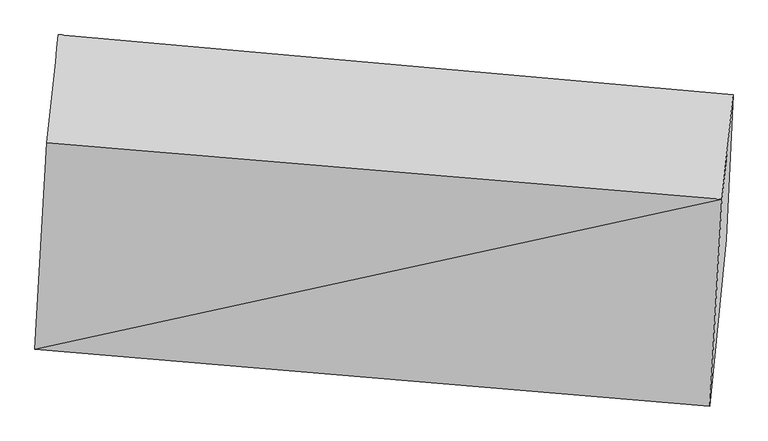
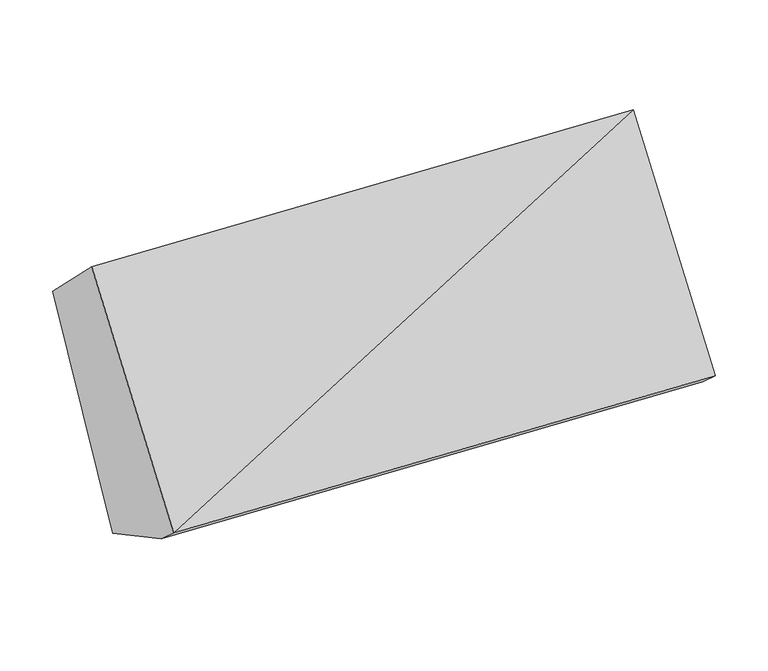
"""IFC4 building model written with IfcOpenShell, lengths in millimetres: proxy geometry."""

import ifcopenshell
import ifcopenshell.guid

model = None  # the IFC model being written
_history = None  # IfcOwnerHistory: only IFC2X3 demands one
_inside = {}  # id of a spatial element -> (the spatial element, [elements in it])
_under = {}  # id of a project, library or spatial element -> (it, [spatial elements below it])
_declared = {}  # id of a project -> (the project, [libraries it declares])
_typed = {}  # id of a type object -> (the type object, [elements of that type])
_made_of = {}  # id of a material, layer set ... -> (it, [elements and type objects made of it])


def new_model(schema):
    """Start an empty IFC model of exactly this schema.

    Asked for "IFC4X3", IfcOpenShell would pick the latest addendum, in which some entities
    have other attributes; the version numbers below select the first issue.
    IFC2X3 requires an IfcOwnerHistory on every rooted entity: one is made here for all.
    """
    global model, _history
    if schema == "IFC4X3":
        model = ifcopenshell.file(schema_version=(4, 3, 0, 0))
    else:
        model = ifcopenshell.file(schema=schema)
    _inside.clear()
    _under.clear()
    _declared.clear()
    _typed.clear()
    _made_of.clear()
    _history = None
    if model.schema == "IFC2X3":
        org = make("IfcOrganization", Name="unknown")
        user = make(
            "IfcPersonAndOrganization",
            ThePerson=make("IfcPerson", FamilyName="unknown"),
            TheOrganization=org,
        )
        app = make(
            "IfcApplication",
            ApplicationDeveloper=org,
            Version="unknown",
            ApplicationFullName="unknown",
            ApplicationIdentifier="unknown",
        )
        _history = make(
            "IfcOwnerHistory",
            OwningUser=user,
            OwningApplication=app,
            ChangeAction="ADDED",
            CreationDate=0,
        )
    return model


def make(cls, **values):
    """One entity of the class cls with the attributes given. An attribute that is None is left unset."""
    return model.create_entity(
        cls, **{name: value for name, value in values.items() if value is not None}
    )


def rooted(cls, **values):
    """An entity with a GlobalId (a new one), such as an element, a storey or a relation."""
    return make(cls, GlobalId=ifcopenshell.guid.new(), OwnerHistory=_history, **values)


def si_unit(unit_type, name, prefix=None):
    """IfcSIUnit, for example si_unit("LENGTHUNIT", "METRE", prefix="MILLI")."""
    return make("IfcSIUnit", UnitType=unit_type, Prefix=prefix, Name=name)


def assignment(units):
    """IfcUnitAssignment: the units of a project."""
    return None if units is None else make("IfcUnitAssignment", Units=units)


def point(xyz):
    """IfcCartesianPoint."""
    return None if xyz is None else make("IfcCartesianPoint", Coordinates=xyz)


def direction(xyz):
    """IfcDirection."""
    return None if xyz is None else make("IfcDirection", DirectionRatios=xyz)


def frame(location, z_axis=None, x_axis=None):
    """IfcAxis2Placement3D, a coordinate frame: its origin and axes. An axis left out is left unset."""
    return make(
        "IfcAxis2Placement3D",
        Location=point(location),
        Axis=direction(z_axis),
        RefDirection=direction(x_axis),
    )


def origin():
    """The frame at (0, 0, 0) with its axes left unset."""
    return frame((0.0, 0.0, 0.0))


def place(relative_to, where):
    """IfcLocalPlacement: puts the frame where relative to a parent placement (None: the world)."""
    return make(
        "IfcLocalPlacement", PlacementRelTo=relative_to, RelativePlacement=where
    )


def context(
    kind, dimensions, precision=None, world=None, true_north=None, identifier=None
):
    """IfcGeometricRepresentationContext, for example the 3D "Model" context."""
    return make(
        "IfcGeometricRepresentationContext",
        ContextIdentifier=identifier,
        ContextType=kind,
        CoordinateSpaceDimension=dimensions,
        Precision=precision,
        WorldCoordinateSystem=world,
        TrueNorth=true_north,
    )


def project(units=None, contexts=None):
    """IfcProject with its units and contexts."""
    return rooted(
        "IfcProject",
        Name="project",
        RepresentationContexts=contexts,
        UnitsInContext=assignment(units),
    )


def spatial(cls, under=None, at=None, **own):
    """A site, building, storey or space (cls), placed at a placement, below another one or the project."""
    s = rooted(cls, ObjectPlacement=at, **own)
    if under is not None:
        _under.setdefault(under.id(), (under, []))[1].append(s)
    return s


def shape(context_of_items, identifier, shape_type, items):
    """IfcShapeRepresentation: the items that make up one representation, for example the "Body"."""
    return make(
        "IfcShapeRepresentation",
        ContextOfItems=context_of_items,
        RepresentationIdentifier=identifier,
        RepresentationType=shape_type,
        Items=items,
    )


def source(mapping_origin, context_of_items, identifier, shape_type, items):
    """IfcRepresentationMap: a shape defined once, which mapped items show again and again."""
    return make(
        "IfcRepresentationMap",
        MappingOrigin=mapping_origin,
        MappedRepresentation=shape(context_of_items, identifier, shape_type, items),
    )


def transform(
    local_origin,
    x_axis=None,
    y_axis=None,
    z_axis=None,
    scale=None,
    scale2=None,
    scale3=None,
    uniform=True,
):
    """IfcCartesianTransformationOperator3D, or its non-uniform kind. x_axis, y_axis, z_axis: its Axis1, 2, 3."""
    if uniform:
        return make(
            "IfcCartesianTransformationOperator3D",
            Axis1=direction(x_axis),
            Axis2=direction(y_axis),
            LocalOrigin=point(local_origin),
            Scale=scale,
            Axis3=direction(z_axis),
        )
    return make(
        "IfcCartesianTransformationOperator3DnonUniform",
        Axis1=direction(x_axis),
        Axis2=direction(y_axis),
        LocalOrigin=point(local_origin),
        Scale=scale,
        Axis3=direction(z_axis),
        Scale2=scale2,
        Scale3=scale3,
    )


def mapped(mapping_source, mapping_target):
    """IfcMappedItem: shows the shape of a source again, moved by a transform."""
    return make(
        "IfcMappedItem", MappingSource=mapping_source, MappingTarget=mapping_target
    )


def made_of(thing, what):
    """Note that an element or type object is made of a material, layer set ...; save() writes the relation."""
    if what is not None:
        _made_of.setdefault(what.id(), (what, []))[1].append(thing)
    return thing


def element(
    cls,
    number,
    at=None,
    inside=None,
    cuts=None,
    type_object=None,
    material=None,
    context=None,
    identifier="Body",
    shape_type=None,
    held_by="IfcProductDefinitionShape",
    body=None,
    shapes=None,
    **own,
):
    """One element of the class cls, such as IfcWall. Its Tag is "e" and its number.

    at: its placement. inside: the storey or other place that contains it. cuts: it is an
    opening in that element (IfcRelVoidsElement). A single representation is given by context,
    identifier, shape_type and body (its items); several are given by shapes. held_by: the class
    of the entity that holds the representations. save() writes the other relations.
    """
    e = rooted(cls, Tag="e%d" % number, ObjectPlacement=at, **own)
    if body is not None:
        shapes = [shape(context, identifier, shape_type, body)]
    if shapes is not None:
        e.Representation = make(held_by, Representations=shapes)
    if inside is not None:
        _inside.setdefault(inside.id(), (inside, []))[1].append(e)
    if cuts is not None:
        rooted(
            "IfcRelVoidsElement", RelatingBuildingElement=cuts, RelatedOpeningElement=e
        )
    if type_object is not None:
        _typed.setdefault(type_object.id(), (type_object, []))[1].append(e)
    return made_of(e, material)


def aggregate(whole, parts):
    """IfcRelAggregates: a whole, such as a stair, and the parts it consists of."""
    return rooted("IfcRelAggregates", RelatingObject=whole, RelatedObjects=parts)


def save(model, path):
    """Write the relations noted so far, then the file.

    IfcRelAggregates (storeys below a building ...), IfcRelContainedInSpatialStructure (elements
    in a storey), IfcRelDefinesByType, IfcRelAssociatesMaterial and IfcRelDeclares: one each for
    every whole, place, type object, material and project.
    """
    for whole, parts in _under.values():
        aggregate(whole, parts)
    for where, things in _inside.values():
        rooted(
            "IfcRelContainedInSpatialStructure",
            RelatedElements=things,
            RelatingStructure=where,
        )
    for kind, things in _typed.values():
        rooted("IfcRelDefinesByType", RelatedObjects=things, RelatingType=kind)
    for what, things in _made_of.values():
        rooted("IfcRelAssociatesMaterial", RelatedObjects=things, RelatingMaterial=what)
    for by, libraries in _declared.values():
        rooted("IfcRelDeclares", RelatingContext=by, RelatedDefinitions=libraries)
    model.write(path)


def plane_surface(at):
    """IfcPlane: the flat surface through the origin of the frame at, square to its z axis."""
    return make("IfcPlane", Position=at)


def spline_surface(u_degree, v_degree, points, u_multiplicities, v_multiplicities, u_knots, v_knots, weights=None):
    """IfcBSplineSurfaceWithKnots; with weights, IfcRationalBSplineSurfaceWithKnots. points: one row for each step in u."""
    own = dict(
        UDegree=u_degree,
        VDegree=v_degree,
        ControlPointsList=[[point(p) for p in row] for row in points],
        SurfaceForm="UNSPECIFIED",
        UClosed=False,
        VClosed=False,
        SelfIntersect=False,
        UMultiplicities=u_multiplicities,
        VMultiplicities=v_multiplicities,
        UKnots=u_knots,
        VKnots=v_knots,
        KnotSpec="UNSPECIFIED",
    )
    if weights is None:
        return make("IfcBSplineSurfaceWithKnots", **own)
    return make("IfcRationalBSplineSurfaceWithKnots", WeightsData=weights, **own)


def advanced_brep(points, edges, surfaces, faces):
    """IfcAdvancedBrep: a solid bounded by faces that lie on surfaces and meet in shared edges.

    An edge is (start, end): straight between two places in points (the first is 0);
    or (start, end, curve); or (start, end, curve, False) where it runs against its curve.
    A face is (place in surfaces, loops), or (place, loops, False) where it looks against
    its surface's normal. A loop lists edges by number (the first is 1), with a minus sign
    where the edge is run from its end to its start. The first loop is the outer one.
    """
    corners = [point(p) for p in points]
    vertices = [make("IfcVertexPoint", VertexGeometry=c) for c in corners]
    made = []
    for start, end, *more in edges:
        made.append(
            make(
                "IfcEdgeCurve",
                EdgeStart=vertices[start],
                EdgeEnd=vertices[end],
                EdgeGeometry=more[0] if more else make("IfcPolyline", Points=[corners[start], corners[end]]),
                SameSense=more[1] if len(more) > 1 else True,
            )
        )
    hull = []
    for where, loops, *sense in faces:
        bounds = []
        for j, loop in enumerate(loops):
            ring = [make("IfcOrientedEdge", EdgeElement=made[abs(k) - 1], Orientation=k > 0) for k in loop]
            bounds.append(
                make(
                    "IfcFaceOuterBound" if j == 0 else "IfcFaceBound",
                    Bound=make("IfcEdgeLoop", EdgeList=ring),
                    Orientation=True,
                )
            )
        hull.append(make("IfcAdvancedFace", Bounds=bounds, FaceSurface=surfaces[where], SameSense=sense[0] if sense else True))
    return make("IfcAdvancedBrep", Outer=make("IfcClosedShell", CfsFaces=hull))


def generic_models_3430b3db(model_context):
    return source(origin(), model_context, "Body", "AdvancedBrep", [
        advanced_brep(
        [(-3807.1319212, -1756.0266579, 1801.0058124), (-3797.3294887, -1661.4733591, 1718.3503514), (-1955.5789381, -1816.4982014, 1759.4308207), (-1965.3813705, -1911.0515002, 1842.0862818), (-3774.1571551, -1192.3744002, 2449.7035828), (-1932.4066045, -1347.3992425, 2490.7840521), (-3743.174301, -898.4448516, 2169.8551064), (-1901.8151058, -1061.7252319, 2197.3273013), (-3762.246768, -1300.7733826, 1506.6642796), (-1920.4962174, -1455.7982248, 1547.7447489)],
        [
            (0, 1),
            (1, 2),
            (2, 3),
            (3, 0),
            (4, 0),
            (0, 5),
            (5, 4),
            (6, 4),
            (5, 7),
            (7, 6),
            (8, 6),
            (7, 9),
            (9, 8),
            (1, 8),
            (9, 2),
            (5, 3),
        ],
        [
            plane_surface(frame((-3802.230705, -1708.7500085, 1759.6780819), z_axis=(-0.03834275120225812, -0.6554096019536173, -0.7542997329293195), x_axis=(0.07781585975826583, 0.7506041256470745, -0.6561540509146253))),
            plane_surface(frame((-3790.6445382, -1474.2005291, 2125.3546976), z_axis=(-0.07781585975824704, -0.7506041256470712, 0.6561540509146313), x_axis=(-0.03834275120225806, -0.6554096019536229, -0.7542997329293146))),
            spline_surface(1, 1, [[(-3743.174301, -898.4448516, 2169.8551064), (-1901.8151058, -1061.7252319, 2197.3273013)], [(-3774.1571551, -1192.3744002, 2449.7035828), (-1932.4066045, -1347.3992425, 2490.7840521)]], [2, 2], [2, 2], [0.0, 1.0], [0.0, 1.0]),
            plane_surface(frame((-3752.7105345, -1099.6091171, 1838.259693), z_axis=(0.08319421883522515, 0.8509455452217968, -0.5186235638876968), x_axis=(0.02458040992478573, 0.518517095994519, 0.8547138846475705))),
            plane_surface(frame((-3779.7881284, -1481.1233708, 1612.5073155), z_axis=(-0.02319730502490033, -0.5043333818607919, -0.86319738471594), x_axis=(0.08359042791643954, 0.8594277978470726, -0.5043773395469684))),
            plane_surface(frame((-1935.1356473, -1518.4944802, 1967.474641), z_axis=(0.9962301568414427, -0.08385523375789053, 0.02222103442876263), x_axis=(-0.07448892152778491, -0.695603350463595, 0.7145539723446009))),
            plane_surface(frame((-3776.8079268, -1361.8185303, 1929.1158265), z_axis=(-0.9962301568414431, 0.08385523375788562, -0.022221034428758755), x_axis=(-0.07781585975824921, -0.7506041256470765, 0.656154050914625))),
            plane_surface(frame((-3807.1319212, -1756.0266579, 1801.0058124), z_axis=(-0.07781585975824716, -0.7506041256470712, 0.6561540509146313), x_axis=(-0.03834275120225837, -0.6554096019536229, -0.7542997329293146))),
        ],
        [
            (0, [[1, 2, 3, 4]]),
            (1, [[5, 6, 7]]),
            (2, [[8, -7, 9, 10]]),
            (3, [[11, -10, 12, 13]]),
            (4, [[14, -13, 15, -2]]),
            (5, [[-9, 16, -3, -15, -12]]),
            (6, [[-1, -5, -8, -11, -14]]),
            (7, [[-16, -6, -4]]),
        ],
    ),
    ])


if __name__ == "__main__":
    model = new_model("IFC4")
    model_context = context("Model", 3, world=origin())
    ifc_project = project(units=[si_unit("LENGTHUNIT", "METRE", prefix="MILLI")], contexts=[model_context])
    site = spatial("IfcSite", under=ifc_project)
    building = spatial("IfcBuilding", under=site)
    placement = place(None, origin())
    generic_models_shape = generic_models_3430b3db(model_context)
    element("IfcBuildingElementProxy", 1, Name="Generic Models", at=placement, inside=building, context=model_context, shape_type="MappedRepresentation", body=[
        mapped(generic_models_shape, transform((0.0, 0.0, 0.0), x_axis=(1.0, 0.0, 0.0), y_axis=(0.0, 1.0, 0.0), z_axis=(0.0, 0.0, 1.0))),
    ])
    save(model, "model.ifc")
